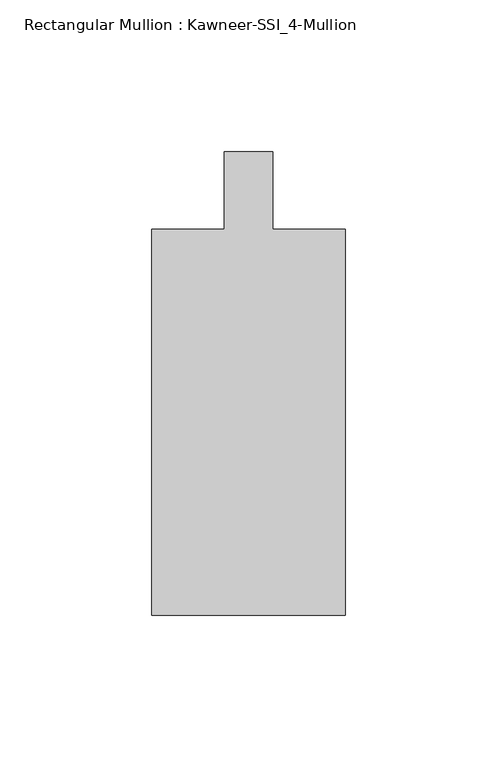
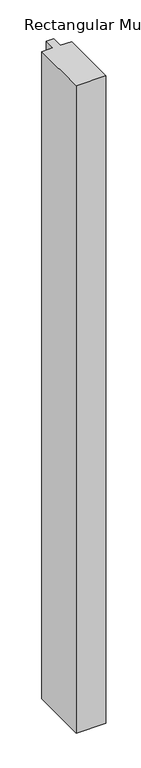
"""IFC4 building model written with IfcOpenShell, lengths in millimetres: member geometry, Rectangular Mullion : Kawneer-SSI_4-Mullion."""

from ifc_helpers import new_model, si_unit, frame, origin, place, context, project, spatial, polyline, outline, extrude, source, transform, mapped, element, save


def rectangular_mullion_kawneer_ssi_4_mullion_e713462f(model_context):
    return source(origin(), model_context, "Body", "SweptSolid", [
        extrude(outline(polyline([(-31.75, -139.7), (-31.75, -12.7), (-7.9375, -12.7), (-7.9375, 12.7), (7.9375, 12.7), (7.9375, -12.7), (31.75, -12.7), (31.75, -139.7), (-31.75, -139.7)])), frame((0.0, 0.0, -1460.5), z_axis=(0.0, 0.0, 1.0), x_axis=(1.0, 0.0, 0.0)), (0.0, 0.0, 1.0), 1460.5),
    ])


if __name__ == "__main__":
    model = new_model("IFC4")
    model_context = context("Model", 3, world=origin())
    ifc_project = project(units=[si_unit("LENGTHUNIT", "METRE", prefix="MILLI")], contexts=[model_context])
    site = spatial("IfcSite", under=ifc_project)
    building = spatial("IfcBuilding", under=site)
    placement = place(None, origin())
    rectangular_mullion_kawneer_ssi_4_mullion_shape = rectangular_mullion_kawneer_ssi_4_mullion_e713462f(model_context)
    element("IfcMember", 1, ObjectType="Rectangular Mullion : Kawneer-SSI_4-Mullion", at=placement, inside=building, context=model_context, shape_type="MappedRepresentation", body=[
        mapped(rectangular_mullion_kawneer_ssi_4_mullion_shape, transform((0.0, 0.0, 0.0), x_axis=(1.0, 0.0, 0.0), y_axis=(0.0, 1.0, 0.0), z_axis=(0.0, 0.0, 1.0))),
    ])
    save(model, "model.ifc")
